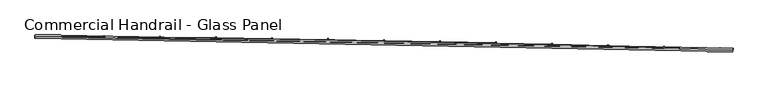
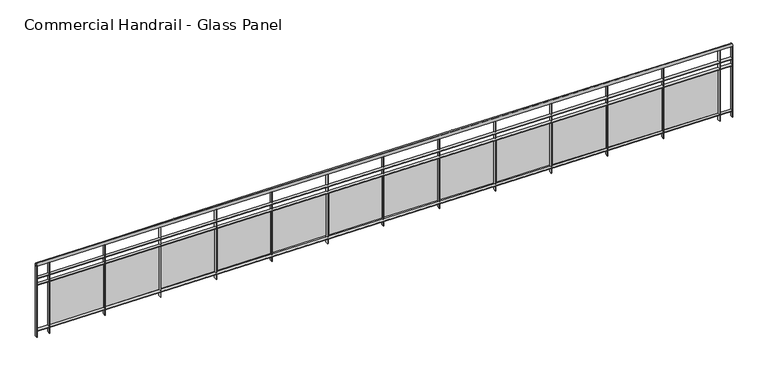
"""IFC4 building model written with IfcOpenShell, lengths in millimetres: railing geometry, Commercial Handrail - Glass Panel."""

from ifc_helpers import new_model, si_unit, point, frame, origin, place, context, project, spatial, polyline, circle_curve, ellipse_curve, trimmed, outline, extrude, source, transform, mapped, element, save
from ifc_brep_helpers import plane_surface, cylinder_surface, revolved_surface, advanced_brep


def commercial_handrail_glass_panel_d0e1d71e(model_context):
    return source(origin(), model_context, "Body", "SolidModel", [
        advanced_brep(
        [(115522.8517456, -6417.9556233, 23082.5), (105560.2865037, -6227.9309844, 23082.5), (105560.2865037, -6227.9309844, 23117.5), (115522.8517456, -6417.9556233, 23117.5)],
        [
            (0, 1, circle_curve(frame((103082.6311781, -397378.3155465, 23082.5), z_axis=(0.0, 0.0, 1.0), x_axis=(0.006334151056266869, 0.9999799390639776, 0.0)), 391158.2315624)),
            (1, 2, ellipse_curve(frame((105560.2865037, -6227.9309844, 23100.0), z_axis=(0.9999799390639776, -0.0063341510562733554, 0.0), x_axis=(-0.0063341510562733554, -0.9999799390639776, 0.0)), 25.0, 17.5)),
            (2, 3, circle_curve(frame((103082.6311781, -397378.3155465, 23117.5), z_axis=(0.0, 0.0, -1.0), x_axis=(0.006334151056266869, 0.9999799390639776, 0.0)), 391158.2315624)),
            (3, 0, ellipse_curve(frame((115522.8517456, -6417.9556233, 23100.0), z_axis=(-0.9994941391404732, 0.031803550491167454, 0.0), x_axis=(-0.031803550491167454, -0.9994941391404732, 0.0)), 25.0, 17.5)),
            (2, 1, ellipse_curve(frame((105560.2865037, -6227.9309844, 23100.0), z_axis=(0.9999799390639776, -0.0063341510562733554, 0.0), x_axis=(-0.0063341510562733554, -0.9999799390639776, 0.0)), 25.0, 17.5)),
            (0, 3, ellipse_curve(frame((115522.8517456, -6417.9556233, 23100.0), z_axis=(-0.9994941391404732, 0.031803550491167454, 0.0), x_axis=(-0.031803550491167454, -0.9994941391404732, 0.0)), 25.0, 17.5)),
        ],
        [
            revolved_surface(trimmed(ellipse_curve(frame((105560.2865037, -6227.9309844, 23100.0), z_axis=(-0.9999799390639776, 0.006334151056266869, 0.0), x_axis=(0.0, 0.0, -1.0)), 17.5, 25.0), [point((105560.2865037, -6227.9309844, 23117.5))], [point((105560.2865037, -6227.9309844, 23082.5))], True, "CARTESIAN"), (103082.6311781, -397378.3155465, 23100.0), (0.0, 0.0, -1.0)),
            revolved_surface(trimmed(ellipse_curve(frame((105560.2865037, -6227.9309844, 23100.0), z_axis=(-0.9999799390639776, 0.006334151056266869, 0.0), x_axis=(0.0, 0.0, -1.0)), 17.5, 25.0), [point((105560.2865037, -6227.9309844, 23082.5))], [point((105560.2865037, -6227.9309844, 23117.5))], True, "CARTESIAN"), (103082.6311781, -397378.3155465, 23100.0), (0.0, 0.0, -1.0)),
            plane_surface(frame((105560.2865037, -6227.9309844, 23100.0), z_axis=(-0.9999799390639776, 0.006334151056266869, 0.0), x_axis=(0.006334151056266869, 0.9999799390639776, 0.0))),
            plane_surface(frame((115522.8517456, -6417.9556233, 23100.0), z_axis=(0.9994941391404732, -0.031803550491167405, 0.0), x_axis=(0.031803550491167405, 0.9994941391404732, 0.0))),
        ],
        [
            (0, [[1, 2, 3, 4]]),
            (1, [[-3, 5, -1, 6]]),
            (2, [[-2, -5]]),
            (3, [[-6, -4]]),
        ],
    ),
        advanced_brep(
        [(115523.5673255, -6395.4670052, 22900.0), (105560.4290221, -6205.4314357, 22900.0), (105560.1439853, -6250.430533, 22900.0), (115522.1361657, -6440.4442415, 22900.0), (115523.5673255, -6395.4670052, 22894.0), (105560.4290221, -6205.4314357, 22894.0), (115522.1361657, -6440.4442415, 22894.0), (105560.1439853, -6250.430533, 22894.0)],
        [
            (0, 1, circle_curve(frame((103082.6311781, -397378.3155465, 22900.0), z_axis=(0.0, 0.0, 1.0), x_axis=(0.006334151056266869, 0.9999799390639776, 0.0)), 391180.7315624)),
            (1, 2),
            (2, 3, circle_curve(frame((103082.6311781, -397378.3155465, 22900.0), z_axis=(0.0, 0.0, -1.0), x_axis=(0.006334151056266869, 0.9999799390639776, 0.0)), 391135.7315624)),
            (3, 0),
            (4, 5, circle_curve(frame((103082.6311781, -397378.3155465, 22894.0), z_axis=(0.0, 0.0, 1.0), x_axis=(0.006334151056266869, 0.9999799390639776, 0.0)), 391180.7315624)),
            (5, 1),
            (0, 4),
            (6, 7, circle_curve(frame((103082.6311781, -397378.3155465, 22894.0), z_axis=(0.0, 0.0, 1.0), x_axis=(0.006334151056266869, 0.9999799390639776, 0.0)), 391135.7315624)),
            (7, 5),
            (4, 6),
            (2, 7),
            (6, 3),
        ],
        [
            plane_surface(frame((103082.6311781, -397378.3155465, 22900.0), z_axis=(0.0, 0.0, 1.0), x_axis=(0.006334151056266869, 0.9999799390639776, 0.0))),
            cylinder_surface(frame((103082.6311781, -397378.3155465, 22900.0), z_axis=(0.0, 0.0, -1.0), x_axis=(0.006334151056266869, 0.9999799390639776, 0.0)), 391180.7315624),
            plane_surface(frame((103082.6311781, -397378.3155465, 22894.0), z_axis=(0.0, 0.0, -1.0), x_axis=(0.006334151056266869, 0.9999799390639776, 0.0))),
            revolved_surface(polyline([(105560.1439853197, -6250.43053298688, 22894.0), (105560.1439853197, -6250.43053298688, 22900.0)]), (103082.6311781, -397378.3155465, 22900.0), (0.0, 0.0, -1.0)),
            plane_surface(frame((105560.2865037, -6227.9309844, 22900.0), z_axis=(-0.9999799390639776, 0.006334151056266869, 0.0), x_axis=(0.006334151056266869, 0.9999799390639776, 0.0))),
            plane_surface(frame((115522.8517456, -6417.9556233, 22900.0), z_axis=(0.9994941391404732, -0.031803550491167405, 0.0), x_axis=(0.031803550491167405, 0.9994941391404732, 0.0))),
        ],
        [
            (0, [[1, 2, 3, 4]]),
            (1, [[5, 6, -1, 7]]),
            (2, [[8, 9, -5, 10]]),
            (3, [[-3, 11, -8, 12]]),
            (4, [[-2, -6, -9, -11]]),
            (5, [[-12, -10, -7, -4]]),
        ],
    ),
        advanced_brep(
        [(115523.5673255, -6395.4670052, 22800.0), (105560.4290221, -6205.4314357, 22800.0), (105560.1439853, -6250.430533, 22800.0), (115522.1361657, -6440.4442415, 22800.0), (115523.5673255, -6395.4670052, 22794.0), (105560.4290221, -6205.4314357, 22794.0), (115522.1361657, -6440.4442415, 22794.0), (105560.1439853, -6250.430533, 22794.0)],
        [
            (0, 1, circle_curve(frame((103082.6311781, -397378.3155465, 22800.0), z_axis=(0.0, 0.0, 1.0), x_axis=(0.006334151056266869, 0.9999799390639776, 0.0)), 391180.7315624)),
            (1, 2),
            (2, 3, circle_curve(frame((103082.6311781, -397378.3155465, 22800.0), z_axis=(0.0, 0.0, -1.0), x_axis=(0.006334151056266869, 0.9999799390639776, 0.0)), 391135.7315624)),
            (3, 0),
            (4, 5, circle_curve(frame((103082.6311781, -397378.3155465, 22794.0), z_axis=(0.0, 0.0, 1.0), x_axis=(0.006334151056266869, 0.9999799390639776, 0.0)), 391180.7315624)),
            (5, 1),
            (0, 4),
            (6, 7, circle_curve(frame((103082.6311781, -397378.3155465, 22794.0), z_axis=(0.0, 0.0, 1.0), x_axis=(0.006334151056266869, 0.9999799390639776, 0.0)), 391135.7315624)),
            (7, 5),
            (4, 6),
            (2, 7),
            (6, 3),
        ],
        [
            plane_surface(frame((103082.6311781, -397378.3155465, 22800.0), z_axis=(0.0, 0.0, 1.0), x_axis=(0.006334151056266869, 0.9999799390639776, 0.0))),
            cylinder_surface(frame((103082.6311781, -397378.3155465, 22800.0), z_axis=(0.0, 0.0, -1.0), x_axis=(0.006334151056266869, 0.9999799390639776, 0.0)), 391180.7315624),
            plane_surface(frame((103082.6311781, -397378.3155465, 22794.0), z_axis=(0.0, 0.0, -1.0), x_axis=(0.006334151056266869, 0.9999799390639776, 0.0))),
            revolved_surface(polyline([(105560.1439853197, -6250.43053298688, 22794.0), (105560.1439853197, -6250.43053298688, 22800.0)]), (103082.6311781, -397378.3155465, 22800.0), (0.0, 0.0, -1.0)),
            plane_surface(frame((105560.2865037, -6227.9309844, 22800.0), z_axis=(-0.9999799390639776, 0.006334151056266869, 0.0), x_axis=(0.006334151056266869, 0.9999799390639776, 0.0))),
            plane_surface(frame((115522.8517456, -6417.9556233, 22800.0), z_axis=(0.9994941391404732, -0.031803550491167405, 0.0), x_axis=(0.031803550491167405, 0.9994941391404732, 0.0))),
        ],
        [
            (0, [[1, 2, 3, 4]]),
            (1, [[5, 6, -1, 7]]),
            (2, [[8, 9, -5, 10]]),
            (3, [[-3, 11, -8, 12]]),
            (4, [[-2, -6, -9, -11]]),
            (5, [[-12, -10, -7, -4]]),
        ],
    ),
        advanced_brep(
        [(115523.5673255, -6395.4670052, 22100.0), (105560.4290221, -6205.4314357, 22100.0), (105560.1439853, -6250.430533, 22100.0), (115522.1361657, -6440.4442415, 22100.0), (115523.5673255, -6395.4670052, 22094.0), (105560.4290221, -6205.4314357, 22094.0), (115522.1361657, -6440.4442415, 22094.0), (105560.1439853, -6250.430533, 22094.0)],
        [
            (0, 1, circle_curve(frame((103082.6311781, -397378.3155465, 22100.0), z_axis=(0.0, 0.0, 1.0), x_axis=(0.006334151056266869, 0.9999799390639776, 0.0)), 391180.7315624)),
            (1, 2),
            (2, 3, circle_curve(frame((103082.6311781, -397378.3155465, 22100.0), z_axis=(0.0, 0.0, -1.0), x_axis=(0.006334151056266869, 0.9999799390639776, 0.0)), 391135.7315624)),
            (3, 0),
            (4, 5, circle_curve(frame((103082.6311781, -397378.3155465, 22094.0), z_axis=(0.0, 0.0, 1.0), x_axis=(0.006334151056266869, 0.9999799390639776, 0.0)), 391180.7315624)),
            (5, 1),
            (0, 4),
            (6, 7, circle_curve(frame((103082.6311781, -397378.3155465, 22094.0), z_axis=(0.0, 0.0, 1.0), x_axis=(0.006334151056266869, 0.9999799390639776, 0.0)), 391135.7315624)),
            (7, 5),
            (4, 6),
            (2, 7),
            (6, 3),
        ],
        [
            plane_surface(frame((103082.6311781, -397378.3155465, 22100.0), z_axis=(0.0, 0.0, 1.0), x_axis=(0.006334151056266869, 0.9999799390639776, 0.0))),
            cylinder_surface(frame((103082.6311781, -397378.3155465, 22100.0), z_axis=(0.0, 0.0, -1.0), x_axis=(0.006334151056266869, 0.9999799390639776, 0.0)), 391180.7315624),
            plane_surface(frame((103082.6311781, -397378.3155465, 22094.0), z_axis=(0.0, 0.0, -1.0), x_axis=(0.006334151056266869, 0.9999799390639776, 0.0))),
            revolved_surface(polyline([(105560.1439853197, -6250.43053298688, 22094.0), (105560.1439853197, -6250.43053298688, 22100.0)]), (103082.6311781, -397378.3155465, 22100.0), (0.0, 0.0, -1.0)),
            plane_surface(frame((105560.2865037, -6227.9309844, 22100.0), z_axis=(-0.9999799390639776, 0.006334151056266869, 0.0), x_axis=(0.006334151056266869, 0.9999799390639776, 0.0))),
            plane_surface(frame((115522.8517456, -6417.9556233, 22100.0), z_axis=(0.9994941391404732, -0.031803550491167405, 0.0), x_axis=(0.031803550491167405, 0.9994941391404732, 0.0))),
        ],
        [
            (0, [[1, 2, 3, 4]]),
            (1, [[5, 6, -1, 7]]),
            (2, [[8, 9, -5, 10]]),
            (3, [[-3, 11, -8, 12]]),
            (4, [[-2, -6, -9, -11]]),
            (5, [[-12, -10, -7, -4]]),
        ],
    ),
        extrude(outline(polyline([(115336.915621, -6434.5944988), (115338.3258162, -6389.6166003), (115344.3228693, -6389.8046263), (115342.9126741, -6434.7825248), (115336.915621, -6434.5944988)])), frame((0.0, 0.0, 22000.0), z_axis=(0.0, 0.0, 1.0), x_axis=(1.0, 0.0, 0.0)), (0.0, 0.0, 1.0), 1082.1192282),
        extrude(outline(polyline([(114561.1659135, -6382.3517641), (115320.8166008, -6405.3915845), (115320.4528141, -6417.3860691), (114560.8021269, -6394.3462486), (114561.1659135, -6382.3517641)])), frame((0.0, 0.0, 22120.0), z_axis=(0.0, 0.0, 1.0), x_axis=(1.0, 0.0, 0.0)), (0.0, 0.0, 1.0), 660.0),
        extrude(outline(polyline([(114537.329268, -6410.3495883), (114538.6474712, -6365.3688997), (114544.6448963, -6365.5446602), (114543.3266931, -6410.5253487), (114537.329268, -6410.3495883)])), frame((0.0, 0.0, 22000.0), z_axis=(0.0, 0.0, 1.0), x_axis=(1.0, 0.0, 0.0)), (0.0, 0.0, 1.0), 1082.1192282),
        extrude(outline(polyline([(113761.4743357, -6359.6935314), (114521.1705554, -6381.1796609), (114520.8313008, -6393.1748644), (113761.1350811, -6371.6887348), (113761.4743357, -6359.6935314)])), frame((0.0, 0.0, 22120.0), z_axis=(0.0, 0.0, 1.0), x_axis=(1.0, 0.0, 0.0)), (0.0, 0.0, 1.0), 660.0),
        extrude(outline(polyline([(113737.6950014, -6387.7400478), (113738.921207, -6342.7567574), (113744.9189791, -6342.9202515), (113743.6927735, -6387.9035419), (113737.6950014, -6387.7400478)])), frame((0.0, 0.0, 22000.0), z_axis=(0.0, 0.0, 1.0), x_axis=(1.0, 0.0, 0.0)), (0.0, 0.0, 1.0), 1082.1192282),
        extrude(outline(polyline([(112961.7380897, -6338.6708806), (113721.4766641, -6358.6032294), (113721.1619428, -6370.5991017), (112961.4233684, -6350.6667528), (112961.7380897, -6338.6708806)])), frame((0.0, 0.0, 22120.0), z_axis=(0.0, 0.0, 1.0), x_axis=(1.0, 0.0, 0.0)), (0.0, 0.0, 1.0), 660.0),
        extrude(outline(polyline([(112938.0161661, -6366.7659721), (112939.150369, -6321.7802679), (112945.1484629, -6321.9314949), (112944.0142599, -6366.9171991), (112938.0161661, -6366.7659721)])), frame((0.0, 0.0, 22000.0), z_axis=(0.0, 0.0, 1.0), x_axis=(1.0, 0.0, 0.0)), (0.0, 0.0, 1.0), 1082.1192282),
        extrude(outline(polyline([(112161.9605206, -6319.2838998), (112921.7382719, -6337.6623845), (112921.4480853, -6349.6588753), (112161.670334, -6331.2803906), (112161.9605206, -6319.2838998)])), frame((0.0, 0.0, 22120.0), z_axis=(0.0, 0.0, 1.0), x_axis=(1.0, 0.0, 0.0)), (0.0, 0.0, 1.0), 660.0),
        extrude(outline(polyline([(112138.2961068, -6347.4274487), (112139.3383023, -6302.4395189), (112145.3366929, -6302.5784783), (112144.2944975, -6347.5664081), (112138.2961068, -6347.4274487)])), frame((0.0, 0.0, 22000.0), z_axis=(0.0, 0.0, 1.0), x_axis=(1.0, 0.0, 0.0)), (0.0, 0.0, 1.0), 1082.1192282),
        extrude(outline(polyline([(111362.1449738, -6301.5326699), (112121.9587238, -6318.3572136), (112121.6930731, -6330.3542728), (111361.8793231, -6313.5297291), (111362.1449738, -6301.5326699)])), frame((0.0, 0.0, 22120.0), z_axis=(0.0, 0.0, 1.0), x_axis=(1.0, 0.0, 0.0)), (0.0, 0.0, 1.0), 660.0),
        extrude(outline(polyline([(111338.5381689, -6329.7245586), (111339.4883526, -6284.7345914), (111345.4870149, -6284.8612825), (111344.5368312, -6329.8512498), (111338.5381689, -6329.7245586)])), frame((0.0, 0.0, 22000.0), z_axis=(0.0, 0.0, 1.0), x_axis=(1.0, 0.0, 0.0)), (0.0, 0.0, 1.0), 1082.1192282),
        extrude(outline(polyline([(110562.2947948, -6285.4172653), (111322.1413654, -6300.6877976), (111321.9002518, -6312.6853751), (110562.0536812, -6297.4148427), (110562.2947948, -6285.4172653)])), frame((0.0, 0.0, 22120.0), z_axis=(0.0, 0.0, 1.0), x_axis=(1.0, 0.0, 0.0)), (0.0, 0.0, 1.0), 660.0),
        extrude(outline(polyline([(110538.7456975, -6313.6573759), (110539.6038654, -6268.6655594), (110545.6027743, -6268.7799818), (110544.7446064, -6313.7717982), (110538.7456975, -6313.6573759)])), frame((0.0, 0.0, 22000.0), z_axis=(0.0, 0.0, 1.0), x_axis=(1.0, 0.0, 0.0)), (0.0, 0.0, 1.0), 1082.1192282),
        extrude(outline(polyline([(109762.4133294, -6270.9377534), (110522.2895422, -6284.6542105), (110522.0729666, -6296.6522559), (109762.1967537, -6282.9357988), (109762.4133294, -6270.9377534)])), frame((0.0, 0.0, 22120.0), z_axis=(0.0, 0.0, 1.0), x_axis=(1.0, 0.0, 0.0)), (0.0, 0.0, 1.0), 660.0),
        extrude(outline(polyline([(109738.9220382, -6299.2259676), (109739.6881867, -6254.2324901), (109745.6873171, -6254.3346433), (109744.9211685, -6299.3281208), (109738.9220382, -6299.2259676)])), frame((0.0, 0.0, 22000.0), z_axis=(0.0, 0.0, 1.0), x_axis=(1.0, 0.0, 0.0)), (0.0, 0.0, 1.0), 1082.1192282),
        extrude(outline(polyline([(108962.5039232, -6258.0941947), (109722.4065998, -6270.2565191), (109722.2145631, -6282.2549825), (108962.3118865, -6270.092658), (108962.5039232, -6258.0941947)])), frame((0.0, 0.0, 22120.0), z_axis=(0.0, 0.0, 1.0), x_axis=(1.0, 0.0, 0.0)), (0.0, 0.0, 1.0), 660.0),
        extrude(outline(polyline([(108939.0705364, -6286.4303943), (108939.7446624, -6241.435444), (108945.7439891, -6241.5253275), (108945.0698631, -6286.5202778), (108939.0705364, -6286.4303943)])), frame((0.0, 0.0, 22000.0), z_axis=(0.0, 0.0, 1.0), x_axis=(1.0, 0.0, 0.0)), (0.0, 0.0, 1.0), 1082.1192282),
        extrude(outline(polyline([(108162.5699223, -6246.8866429), (108922.495884, -6257.4947839), (108922.3283871, -6269.4936149), (108162.4024253, -6258.8854739), (108162.5699223, -6246.8866429)])), frame((0.0, 0.0, 22120.0), z_axis=(0.0, 0.0, 1.0), x_axis=(1.0, 0.0, 0.0)), (0.0, 0.0, 1.0), 660.0),
        extrude(outline(polyline([(108139.1945379, -6275.2707094), (108139.7766385, -6230.2744745), (108145.7761365, -6230.3520879), (108145.1940359, -6275.3483228), (108139.1945379, -6275.2707094)])), frame((0.0, 0.0, 22000.0), z_axis=(0.0, 0.0, 1.0), x_axis=(1.0, 0.0, 0.0)), (0.0, 0.0, 1.0), 1082.1192282),
        extrude(outline(polyline([(107362.6146726, -6237.315145), (108122.5607409, -6246.3690581), (108122.4177843, -6258.3682066), (107362.4717161, -6249.3142934), (107362.6146726, -6237.315145)])), frame((0.0, 0.0, 22120.0), z_axis=(0.0, 0.0, 1.0), x_axis=(1.0, 0.0, 0.0)), (0.0, 0.0, 1.0), 660.0),
        extrude(outline(polyline([(107339.2973884, -6265.7469596), (107339.7874611, -6220.7496283), (107345.7871053, -6220.8149713), (107345.2970326, -6265.8123027), (107339.2973884, -6265.7469596)])), frame((0.0, 0.0, 22000.0), z_axis=(0.0, 0.0, 1.0), x_axis=(1.0, 0.0, 0.0)), (0.0, 0.0, 1.0), 1082.1192282),
        extrude(outline(polyline([(106562.6415203, -6229.3797409), (107322.6045163, -6236.8793883), (107322.4861008, -6248.878804), (106562.5231048, -6241.3791567), (106562.6415203, -6229.3797409)])), frame((0.0, 0.0, 22120.0), z_axis=(0.0, 0.0, 1.0), x_axis=(1.0, 0.0, 0.0)), (0.0, 0.0, 1.0), 660.0),
        extrude(outline(polyline([(106539.3824338, -6257.8591848), (106539.7804767, -6212.8609452), (106545.7802419, -6212.9140176), (106545.382199, -6257.9122572), (106539.3824338, -6257.8591848)])), frame((0.0, 0.0, 22000.0), z_axis=(0.0, 0.0, 1.0), x_axis=(1.0, 0.0, 0.0)), (0.0, 0.0, 1.0), 1082.1192282),
        extrude(outline(polyline([(105762.6538115, -6223.080464), (106522.6305564, -6229.0258142), (106522.5366825, -6241.025447), (105762.5599376, -6235.0800968), (105762.6538115, -6223.080464)])), frame((0.0, 0.0, 22120.0), z_axis=(0.0, 0.0, 1.0), x_axis=(1.0, 0.0, 0.0)), (0.0, 0.0, 1.0), 660.0),
        extrude(outline(polyline([(105739.45302, -6251.6074179), (105739.7590314, -6206.6084583), (105745.7588926, -6206.6492599), (105745.4528813, -6251.6482194), (105739.45302, -6251.6074179)])), frame((0.0, 0.0, 22000.0), z_axis=(0.0, 0.0, 1.0), x_axis=(1.0, 0.0, 0.0)), (0.0, 0.0, 1.0), 1082.1192282),
        extrude(outline(polyline([(115519.1376833, -6440.3488308), (115520.5688431, -6395.3715946), (115526.5658079, -6395.5624159), (115525.1346482, -6440.5396521), (115519.1376833, -6440.3488308)])), frame((0.0, 0.0, 22000.0), z_axis=(0.0, 0.0, 1.0), x_axis=(1.0, 0.0, 0.0)), (0.0, 0.0, 1.0), 1082.1192282),
        extrude(outline(polyline([(105557.1440455, -6250.4115305), (105557.4290823, -6205.4124333), (105563.4289619, -6205.4504382), (105563.1439251, -6250.4495354), (105557.1440455, -6250.4115305)])), frame((0.0, 0.0, 22000.0), z_axis=(0.0, 0.0, 1.0), x_axis=(1.0, 0.0, 0.0)), (0.0, 0.0, 1.0), 1082.1192282),
    ])


if __name__ == "__main__":
    model = new_model("IFC4")
    model_context = context("Model", 3, world=origin())
    ifc_project = project(units=[si_unit("LENGTHUNIT", "METRE", prefix="MILLI")], contexts=[model_context])
    site = spatial("IfcSite", under=ifc_project)
    building = spatial("IfcBuilding", under=site)
    placement = place(None, origin())
    commercial_handrail_glass_panel_shape = commercial_handrail_glass_panel_d0e1d71e(model_context)
    element("IfcRailing", 1, ObjectType="Commercial Handrail - Glass Panel", at=placement, inside=building, context=model_context, shape_type="MappedRepresentation", body=[
        mapped(commercial_handrail_glass_panel_shape, transform((0.0, 0.0, 0.0), x_axis=(1.0, 0.0, 0.0), y_axis=(0.0, 1.0, 0.0), z_axis=(0.0, 0.0, 1.0))),
    ])
    save(model, "model.ifc")
